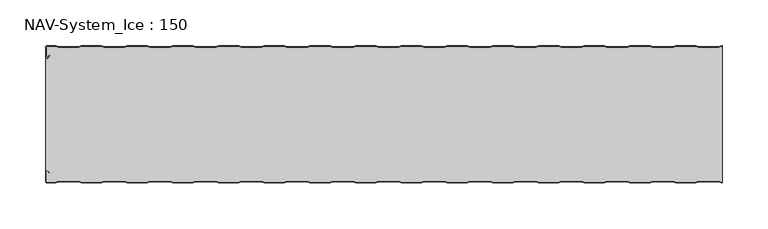
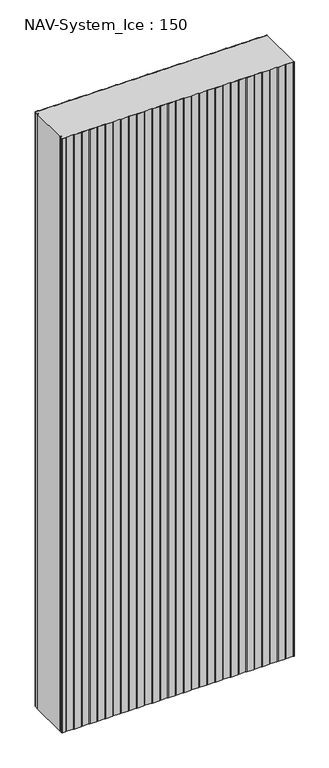
"""IFC4 building model written with IfcOpenShell, lengths in millimetres: plate geometry, NAV-System_Ice : 150."""

from ifc_helpers import new_model, si_unit, point, frame_2d, origin, origin_with_axes, place, context, project, spatial, polyline, circle_curve, trimmed, segment, composite_curve, outline, extrude, source, transform, mapped, element, save


def nav_system_ice_150_8092e361(model_context):
    return source(origin(), model_context, "Body", "SweptSolid", [
        extrude(outline(composite_curve([segment(polyline([(369.1298221, -0.8), (366.1298221, -1.8), (343.8701779, -1.8), (340.8701779, -0.8), (319.1298221, -0.8), (316.1298221, -1.8), (293.8701779, -1.8), (290.8701779, -0.8), (269.1298221, -0.8), (266.1298221, -1.8), (243.8701779, -1.8), (240.8701779, -0.8), (219.1298221, -0.8), (216.1298221, -1.8), (193.8701779, -1.8), (190.8701779, -0.8), (169.1298221, -0.8), (166.1298221, -1.8), (143.8701779, -1.8), (140.8701779, -0.8), (119.1298221, -0.8), (116.1298221, -1.8), (93.8701779, -1.8), (90.8701779, -0.8), (69.1298221, -0.8), (66.1298221, -1.8), (43.8701779, -1.8), (40.8701779, -0.8), (19.1298221, -0.8), (16.1298221, -1.8), (-6.1298221, -1.8), (-9.1298221, -0.8), (-30.8701779, -0.8), (-33.8701779, -1.8), (-56.1298221, -1.8), (-59.1298221, -0.8), (-80.8701779, -0.8), (-83.8701779, -1.8), (-106.1298221, -1.8), (-109.1298221, -0.8), (-130.8701779, -0.8), (-133.8701779, -1.8), (-156.1298221, -1.8), (-159.1298221, -0.8), (-180.8701779, -0.8), (-183.8701779, -1.8), (-206.1298221, -1.8), (-209.1298221, -0.8), (-230.8701779, -0.8), (-233.8701779, -1.8), (-256.1298221, -1.8), (-259.1298221, -0.8), (-280.8701779, -0.8), (-283.8701779, -1.8), (-306.1298221, -1.8), (-309.1298221, -0.8), (-330.8701779, -0.8), (-333.8701779, -1.8), (-356.1298221, -1.8), (-359.1298221, -0.8), (-368.7, -0.8)]), True, "CONTINUOUS"), segment(trimmed(circle_curve(frame_2d((-368.7, -1.3)), 0.5), [point((-368.7, -0.8))], [point((-369.2, -1.3))], True, "CARTESIAN"), True, "CONTINUOUS"), segment(polyline([(-369.2, -1.3), (-369.2, -12.5857864)]), True, "CONTINUOUS"), segment(trimmed(circle_curve(frame_2d((-368.7, -12.5857864)), 0.5), [point((-369.2, -12.5857864))], [point((-368.3464466, -12.9393398))], True, "CARTESIAN"), True, "CONTINUOUS"), segment(polyline([(-368.3464466, -12.9393398), (-365.9205321, -10.5134253), (-365.3548467, -11.0791108), (-367.7807612, -13.5050253)]), True, "CONTINUOUS"), segment(trimmed(circle_curve(frame_2d((-368.7, -12.5857864)), 1.3), [point((-367.7807612, -13.5050253))], [point((-370.0, -12.5857864))], False, "CARTESIAN"), True, "CONTINUOUS"), segment(polyline([(-370.0, -12.5857864), (-370.0, -1.3)]), True, "CONTINUOUS"), segment(trimmed(circle_curve(frame_2d((-368.7, -1.3)), 1.3), [point((-370.0, -1.3))], [point((-368.7, 0.0))], False, "CARTESIAN"), True, "CONTINUOUS"), segment(polyline([(-368.7, 0.0), (-359.0, 0.0), (-356.0, -1.0), (-334.0, -1.0), (-331.0, 0.0), (-309.0, 0.0), (-306.0, -1.0), (-284.0, -1.0), (-281.0, 0.0), (-259.0, 0.0), (-256.0, -1.0), (-234.0, -1.0), (-231.0, 0.0), (-209.0, 0.0), (-206.0, -1.0), (-184.0, -1.0), (-181.0, 0.0), (-159.0, 0.0), (-156.0, -1.0), (-134.0, -1.0), (-131.0, 0.0), (-109.0, 0.0), (-106.0, -1.0), (-84.0, -1.0), (-81.0, 0.0), (-59.0, 0.0), (-56.0, -1.0), (-34.0, -1.0), (-31.0, 0.0), (-9.0, 0.0), (-6.0, -1.0), (16.0, -1.0), (19.0, 0.0), (41.0, 0.0), (44.0, -1.0), (66.0, -1.0), (69.0, 0.0), (91.0, 0.0), (94.0, -1.0), (116.0, -1.0), (119.0, 0.0), (141.0, 0.0), (144.0, -1.0), (166.0, -1.0), (169.0, 0.0), (191.0, 0.0), (194.0, -1.0), (216.0, -1.0), (219.0, 0.0), (241.0, 0.0), (244.0, -1.0), (266.0, -1.0), (269.0, 0.0), (291.0, 0.0), (294.0, -1.0), (316.0, -1.0), (319.0, 0.0), (341.0, 0.0), (344.0, -1.0), (366.0, -1.0), (369.0, 0.0), (370.0, 0.0), (370.0, -0.8), (369.1298221, -0.8)]), True, "CONTINUOUS")], self_intersect=False)), origin_with_axes(), (0.0, 0.0, 1.0), 2000.0),
        extrude(outline(composite_curve([segment(polyline([(369.1298221, -149.2), (366.1298221, -148.2), (343.8701779, -148.2), (340.8701779, -149.2), (319.1298221, -149.2), (316.1298221, -148.2), (293.8701779, -148.2), (290.8701779, -149.2), (269.1298221, -149.2), (266.1298221, -148.2), (243.8701779, -148.2), (240.8701779, -149.2), (219.1298221, -149.2), (216.1298221, -148.2), (193.8701779, -148.2), (190.8701779, -149.2), (169.1298221, -149.2), (166.1298221, -148.2), (143.8701779, -148.2), (140.8701779, -149.2), (119.1298221, -149.2), (116.1298221, -148.2), (93.8701779, -148.2), (90.8701779, -149.2), (69.1298221, -149.2), (66.1298221, -148.2), (43.8701779, -148.2), (40.8701779, -149.2), (19.1298221, -149.2), (16.1298221, -148.2), (-6.1298221, -148.2), (-9.1298221, -149.2), (-30.8701779, -149.2), (-33.8701779, -148.2), (-56.1298221, -148.2), (-59.1298221, -149.2), (-80.8701779, -149.2), (-83.8701779, -148.2), (-106.1298221, -148.2), (-109.1298221, -149.2), (-130.8701779, -149.2), (-133.8701779, -148.2), (-156.1298221, -148.2), (-159.1298221, -149.2), (-180.8701779, -149.2), (-183.8701779, -148.2), (-206.1298221, -148.2), (-209.1298221, -149.2), (-230.8701779, -149.2), (-233.8701779, -148.2), (-256.1298221, -148.2), (-259.1298221, -149.2), (-280.8701779, -149.2), (-283.8701779, -148.2), (-306.1298221, -148.2), (-309.1298221, -149.2), (-330.8701779, -149.2), (-333.8701779, -148.2), (-356.1298221, -148.2), (-359.1298221, -149.2), (-368.7, -149.2)]), True, "CONTINUOUS"), segment(trimmed(circle_curve(frame_2d((-368.7, -148.7)), 0.5), [point((-368.7, -149.2))], [point((-369.2, -148.7))], False, "CARTESIAN"), True, "CONTINUOUS"), segment(polyline([(-369.2, -148.7), (-369.2, -137.4142136)]), True, "CONTINUOUS"), segment(trimmed(circle_curve(frame_2d((-368.7, -137.4142136)), 0.5), [point((-369.2, -137.4142136))], [point((-368.3464466, -137.0606602))], False, "CARTESIAN"), True, "CONTINUOUS"), segment(polyline([(-368.3464466, -137.0606602), (-365.9205321, -139.4865747), (-365.3548467, -138.9208892), (-367.7807612, -136.4949747)]), True, "CONTINUOUS"), segment(trimmed(circle_curve(frame_2d((-368.7, -137.4142136)), 1.3), [point((-367.7807612, -136.4949747))], [point((-368.7, -136.1142136))], True, "CARTESIAN"), True, "CONTINUOUS"), segment(polyline([(-368.7, -136.1142136), (-370.0, -136.1142136), (-370.0, -13.8857864), (-368.7, -13.8857864)]), True, "CONTINUOUS"), segment(trimmed(circle_curve(frame_2d((-368.7, -12.5857864)), 1.3), [point((-368.7, -13.8857864))], [point((-367.7807612, -13.5050253))], True, "CARTESIAN"), True, "CONTINUOUS"), segment(polyline([(-367.7807612, -13.5050253), (-365.3548467, -11.0791108), (-365.9205321, -10.5134253), (-368.3464466, -12.9393398)]), True, "CONTINUOUS"), segment(trimmed(circle_curve(frame_2d((-368.7, -12.5857864)), 0.5), [point((-368.3464466, -12.9393398))], [point((-369.2, -12.5857864))], False, "CARTESIAN"), True, "CONTINUOUS"), segment(polyline([(-369.2, -12.5857864), (-369.2, -1.3)]), True, "CONTINUOUS"), segment(trimmed(circle_curve(frame_2d((-368.7, -1.3)), 0.5), [point((-369.2, -1.3))], [point((-368.7, -0.8))], False, "CARTESIAN"), True, "CONTINUOUS"), segment(polyline([(-368.7, -0.8), (-359.1298221, -0.8), (-356.1298221, -1.8), (-333.8701779, -1.8), (-330.8701779, -0.8), (-309.1298221, -0.8), (-306.1298221, -1.8), (-283.8701779, -1.8), (-280.8701779, -0.8), (-259.1298221, -0.8), (-256.1298221, -1.8), (-233.8701779, -1.8), (-230.8701779, -0.8), (-209.1298221, -0.8), (-206.1298221, -1.8), (-183.8701779, -1.8), (-180.8701779, -0.8), (-159.1298221, -0.8), (-156.1298221, -1.8), (-133.8701779, -1.8), (-130.8701779, -0.8), (-109.1298221, -0.8), (-106.1298221, -1.8), (-83.8701779, -1.8), (-80.8701779, -0.8), (-59.1298221, -0.8), (-56.1298221, -1.8), (-33.8701779, -1.8), (-30.8701779, -0.8), (-9.1298221, -0.8), (-6.1298221, -1.8), (16.1298221, -1.8), (19.1298221, -0.8), (40.8701779, -0.8), (43.8701779, -1.8), (66.1298221, -1.8), (69.1298221, -0.8), (90.8701779, -0.8), (93.8701779, -1.8), (116.1298221, -1.8), (119.1298221, -0.8), (140.8701779, -0.8), (143.8701779, -1.8), (166.1298221, -1.8), (169.1298221, -0.8), (190.8701779, -0.8), (193.8701779, -1.8), (216.1298221, -1.8), (219.1298221, -0.8), (240.8701779, -0.8), (243.8701779, -1.8), (266.1298221, -1.8), (269.1298221, -0.8), (290.8701779, -0.8), (293.8701779, -1.8), (316.1298221, -1.8), (319.1298221, -0.8), (340.8701779, -0.8), (343.8701779, -1.8), (366.1298221, -1.8), (369.1298221, -0.8), (370.0, -0.8), (370.0, -149.2), (369.1298221, -149.2)]), True, "CONTINUOUS")], self_intersect=False)), origin_with_axes(), (0.0, 0.0, 1.0), 2000.0),
        extrude(outline(composite_curve([segment(polyline([(369.0, -150.0), (366.0, -149.0), (344.0, -149.0), (341.0, -150.0), (319.0, -150.0), (316.0, -149.0), (294.0, -149.0), (291.0, -150.0), (269.0, -150.0), (266.0, -149.0), (244.0, -149.0), (241.0, -150.0), (219.0, -150.0), (216.0, -149.0), (194.0, -149.0), (191.0, -150.0), (169.0, -150.0), (166.0, -149.0), (144.0, -149.0), (141.0, -150.0), (119.0, -150.0), (116.0, -149.0), (94.0, -149.0), (91.0, -150.0), (69.0, -150.0), (66.0, -149.0), (44.0, -149.0), (41.0, -150.0), (19.0, -150.0), (16.0, -149.0), (-6.0, -149.0), (-9.0, -150.0), (-31.0, -150.0), (-34.0, -149.0), (-56.0, -149.0), (-59.0, -150.0), (-81.0, -150.0), (-84.0, -149.0), (-106.0, -149.0), (-109.0, -150.0), (-131.0, -150.0), (-134.0, -149.0), (-156.0, -149.0), (-159.0, -150.0), (-181.0, -150.0), (-184.0, -149.0), (-206.0, -149.0), (-209.0, -150.0), (-231.0, -150.0), (-234.0, -149.0), (-256.0, -149.0), (-259.0, -150.0), (-281.0, -150.0), (-284.0, -149.0), (-306.0, -149.0), (-309.0, -150.0), (-331.0, -150.0), (-334.0, -149.0), (-356.0, -149.0), (-359.0, -150.0), (-368.7, -150.0)]), True, "CONTINUOUS"), segment(trimmed(circle_curve(frame_2d((-368.7, -148.7)), 1.3), [point((-368.7, -150.0))], [point((-370.0, -148.7))], False, "CARTESIAN"), True, "CONTINUOUS"), segment(polyline([(-370.0, -148.7), (-370.0, -137.4142136)]), True, "CONTINUOUS"), segment(trimmed(circle_curve(frame_2d((-368.7, -137.4142136)), 1.3), [point((-370.0, -137.4142136))], [point((-367.7807612, -136.4949747))], False, "CARTESIAN"), True, "CONTINUOUS"), segment(polyline([(-367.7807612, -136.4949747), (-365.3548467, -138.9208892), (-365.9205321, -139.4865747), (-368.3464466, -137.0606602)]), True, "CONTINUOUS"), segment(trimmed(circle_curve(frame_2d((-368.7, -137.4142136)), 0.5), [point((-368.3464466, -137.0606602))], [point((-369.2, -137.4142136))], True, "CARTESIAN"), True, "CONTINUOUS"), segment(polyline([(-369.2, -137.4142136), (-369.2, -148.7)]), True, "CONTINUOUS"), segment(trimmed(circle_curve(frame_2d((-368.7, -148.7)), 0.5), [point((-369.2, -148.7))], [point((-368.7, -149.2))], True, "CARTESIAN"), True, "CONTINUOUS"), segment(polyline([(-368.7, -149.2), (-359.1298221, -149.2), (-356.1298221, -148.2), (-333.8701779, -148.2), (-330.8701779, -149.2), (-309.1298221, -149.2), (-306.1298221, -148.2), (-283.8701779, -148.2), (-280.8701779, -149.2), (-259.1298221, -149.2), (-256.1298221, -148.2), (-233.8701779, -148.2), (-230.8701779, -149.2), (-209.1298221, -149.2), (-206.1298221, -148.2), (-183.8701779, -148.2), (-180.8701779, -149.2), (-159.1298221, -149.2), (-156.1298221, -148.2), (-133.8701779, -148.2), (-130.8701779, -149.2), (-109.1298221, -149.2), (-106.1298221, -148.2), (-83.8701779, -148.2), (-80.8701779, -149.2), (-59.1298221, -149.2), (-56.1298221, -148.2), (-33.8701779, -148.2), (-30.8701779, -149.2), (-9.1298221, -149.2), (-6.1298221, -148.2), (16.1298221, -148.2), (19.1298221, -149.2), (40.8701779, -149.2), (43.8701779, -148.2), (66.1298221, -148.2), (69.1298221, -149.2), (90.8701779, -149.2), (93.8701779, -148.2), (116.1298221, -148.2), (119.1298221, -149.2), (140.8701779, -149.2), (143.8701779, -148.2), (166.1298221, -148.2), (169.1298221, -149.2), (190.8701779, -149.2), (193.8701779, -148.2), (216.1298221, -148.2), (219.1298221, -149.2), (240.8701779, -149.2), (243.8701779, -148.2), (266.1298221, -148.2), (269.1298221, -149.2), (290.8701779, -149.2), (293.8701779, -148.2), (316.1298221, -148.2), (319.1298221, -149.2), (340.8701779, -149.2), (343.8701779, -148.2), (366.1298221, -148.2), (369.1298221, -149.2), (370.0, -149.2), (370.0, -150.0), (369.0, -150.0)]), True, "CONTINUOUS")], self_intersect=False)), origin_with_axes(), (0.0, 0.0, 1.0), 2000.0),
    ])


if __name__ == "__main__":
    model = new_model("IFC4")
    model_context = context("Model", 3, world=origin())
    ifc_project = project(units=[si_unit("LENGTHUNIT", "METRE", prefix="MILLI")], contexts=[model_context])
    site = spatial("IfcSite", under=ifc_project)
    building = spatial("IfcBuilding", under=site)
    placement = place(None, origin())
    nav_system_ice_150_shape = nav_system_ice_150_8092e361(model_context)
    element("IfcPlate", 1, ObjectType="NAV-System_Ice : 150", at=placement, inside=building, context=model_context, shape_type="MappedRepresentation", body=[
        mapped(nav_system_ice_150_shape, transform((0.0, 0.0, 0.0), x_axis=(1.0, 0.0, 0.0), y_axis=(0.0, 1.0, 0.0), z_axis=(0.0, 0.0, 1.0))),
    ])
    save(model, "model.ifc")
